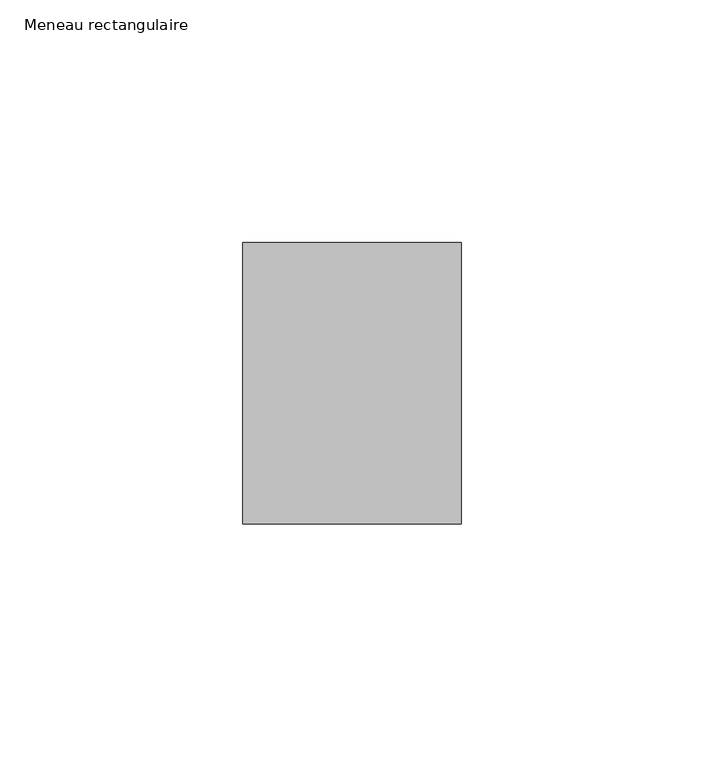
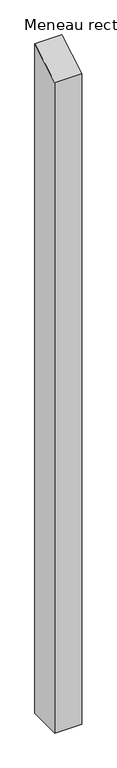
"""IFC4 building model written with IfcOpenShell, lengths in millimetres: member geometry, Meneau rectangulaire."""

from ifc_helpers import new_model, si_unit, frame, origin, place, context, project, spatial, polyline, outline, extrude, source, transform, mapped, element, save


def meneau_rectangulaire_82cfbcf3(model_context):
    return source(origin(), model_context, "Body", "SweptSolid", [
        extrude(outline(polyline([(-29.0, -16.7431578), (29.0, 16.7431578), (29.0, -1170.6250002), (-29.0, -1170.6250002), (-29.0, -16.7431578)])), frame((-45.0, 0.0, 0.0), z_axis=(1.0, 0.0, 0.0), x_axis=(0.0, 1.0, 0.0)), (0.0, 0.0, 1.0), 45.0),
    ])


if __name__ == "__main__":
    model = new_model("IFC4")
    model_context = context("Model", 3, world=origin())
    ifc_project = project(units=[si_unit("LENGTHUNIT", "METRE", prefix="MILLI")], contexts=[model_context])
    site = spatial("IfcSite", under=ifc_project)
    building = spatial("IfcBuilding", under=site)
    placement = place(None, origin())
    meneau_rectangulaire_shape = meneau_rectangulaire_82cfbcf3(model_context)
    element("IfcMember", 1, ObjectType="Meneau rectangulaire", at=placement, inside=building, context=model_context, shape_type="MappedRepresentation", body=[
        mapped(meneau_rectangulaire_shape, transform((0.0, 0.0, 0.0), x_axis=(1.0, 0.0, 0.0), y_axis=(0.0, 1.0, 0.0), z_axis=(0.0, 0.0, 1.0))),
    ])
    save(model, "model.ifc")
